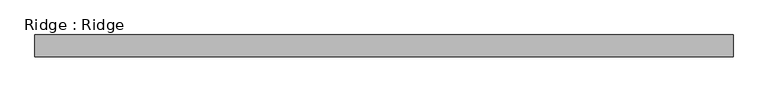
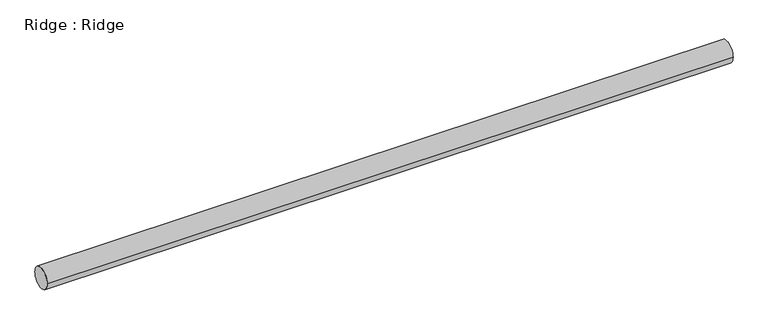
"""IFC4 building model written with IfcOpenShell, lengths in millimetres: beam geometry, Ridge : Ridge."""

from ifc_helpers import new_model, si_unit, point, frame, origin, origin_2d, place, context, project, spatial, circle_curve, trimmed, segment, composite_curve, outline, extrude, source, transform, mapped, element, save


def ridge_ridge_f477b99b(model_context):
    return source(origin(), model_context, "Body", "SweptSolid", [
        extrude(outline(composite_curve([segment(trimmed(circle_curve(origin_2d(), 38.1), [point((38.1, 0.0))], [point((-38.1, 0.0))], False, "CARTESIAN"), True, "CONTINUOUS"), segment(trimmed(circle_curve(origin_2d(), 38.1), [point((-38.1, 0.0))], [point((38.1, 0.0))], False, "CARTESIAN"), True, "CONTINUOUS")], self_intersect=False)), frame((-1219.2, 0.0, 0.0), z_axis=(1.0, 0.0, 0.0), x_axis=(0.0, 1.0, 0.0)), (0.0, 0.0, 1.0), 2438.4),
    ])


if __name__ == "__main__":
    model = new_model("IFC4")
    model_context = context("Model", 3, world=origin())
    ifc_project = project(units=[si_unit("LENGTHUNIT", "METRE", prefix="MILLI")], contexts=[model_context])
    site = spatial("IfcSite", under=ifc_project)
    building = spatial("IfcBuilding", under=site)
    placement = place(None, origin())
    ridge_ridge_shape = ridge_ridge_f477b99b(model_context)
    element("IfcBeam", 1, ObjectType="Ridge : Ridge", at=placement, inside=building, context=model_context, shape_type="MappedRepresentation", body=[
        mapped(ridge_ridge_shape, transform((0.0, 0.0, 0.0), x_axis=(1.0, 0.0, 0.0), y_axis=(0.0, 1.0, 0.0), z_axis=(0.0, 0.0, 1.0))),
    ])
    save(model, "model.ifc")
